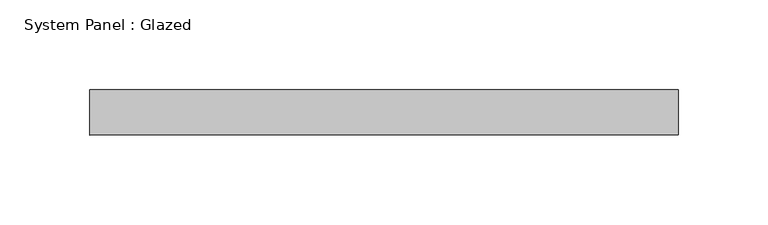
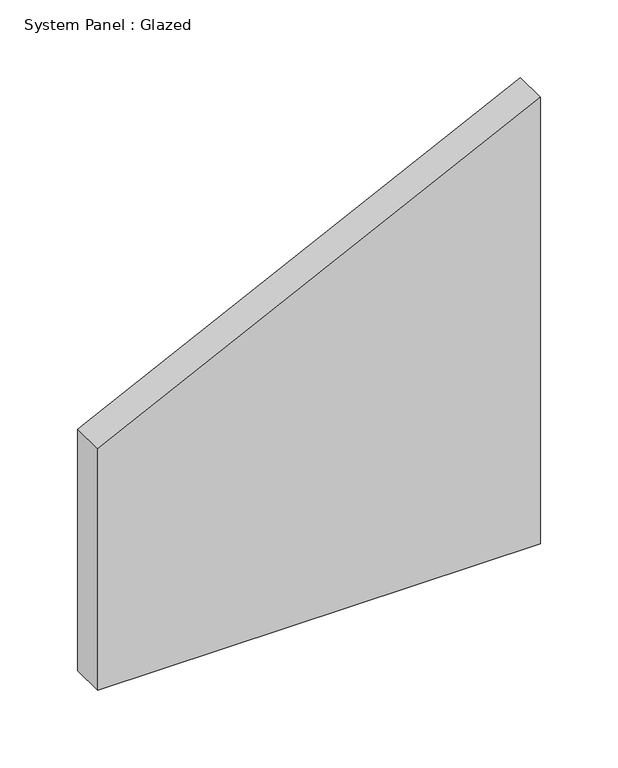
"""IFC4 building model written with IfcOpenShell, lengths in millimetres: plate geometry, System Panel : Glazed."""

from ifc_helpers import new_model, si_unit, frame, origin, place, context, project, spatial, polyline, outline, extrude, source, transform, mapped, element, save


def system_panel_glazed_2e0f08de(model_context):
    return source(origin(), model_context, "Body", "SweptSolid", [
        extrude(outline(polyline([(0.0, -164.48691), (0.0, 164.48691), (350.1922863, 164.48691), (189.6075084, -164.48691), (0.0, -164.48691)])), frame((0.0, 19.05, 0.0), z_axis=(0.0, 1.0, 0.0), x_axis=(0.0, 0.0, 1.0)), (0.0, 0.0, 1.0), 25.4),
    ])


if __name__ == "__main__":
    model = new_model("IFC4")
    model_context = context("Model", 3, world=origin())
    ifc_project = project(units=[si_unit("LENGTHUNIT", "METRE", prefix="MILLI")], contexts=[model_context])
    site = spatial("IfcSite", under=ifc_project)
    building = spatial("IfcBuilding", under=site)
    placement = place(None, origin())
    system_panel_glazed_shape = system_panel_glazed_2e0f08de(model_context)
    element("IfcPlate", 1, ObjectType="System Panel : Glazed", at=placement, inside=building, context=model_context, shape_type="MappedRepresentation", body=[
        mapped(system_panel_glazed_shape, transform((0.0, 0.0, 0.0), x_axis=(1.0, 0.0, 0.0), y_axis=(0.0, 1.0, 0.0), z_axis=(0.0, 0.0, 1.0))),
    ])
    save(model, "model.ifc")
